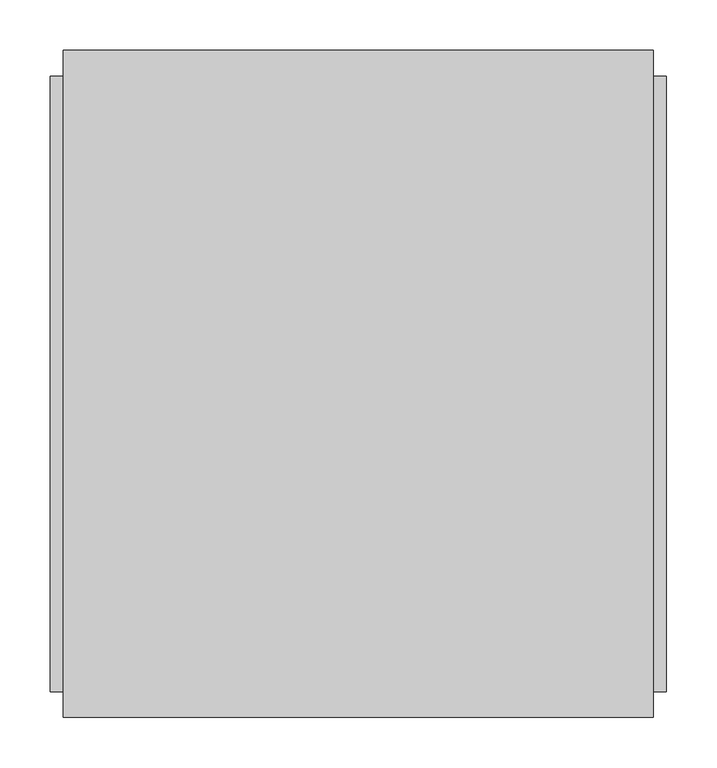
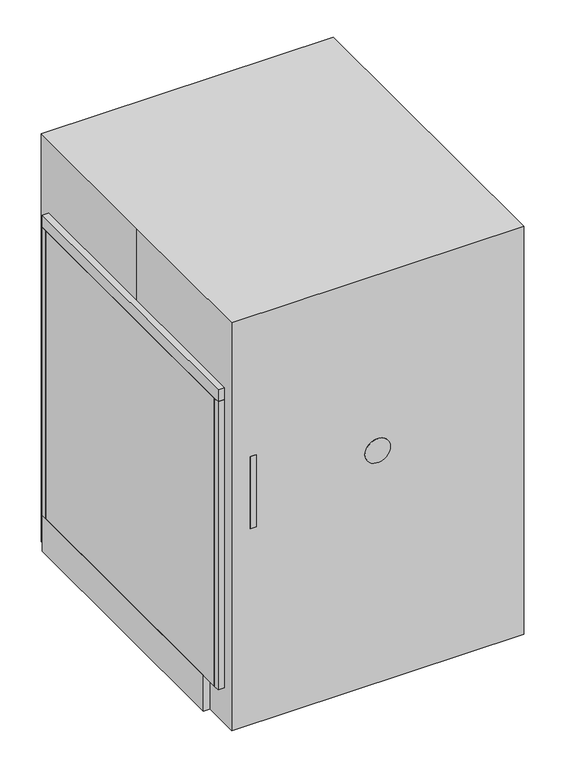
"""IFC4 building model written with IfcOpenShell, lengths in millimetres: proxy geometry."""

from ifc_helpers import new_model, si_unit, point, frame, frame_2d, origin, origin_with_axes, place, context, project, spatial, polyline, circle_curve, trimmed, segment, composite_curve, outline, extrude, source, transform, mapped, element, save
from ifc_brep_helpers import plane_surface, revolved_surface, advanced_brep


def specialty_equipment_3cd7382c(model_context):
    return source(origin(), model_context, "Body", "SolidModel", [
        extrude(outline(polyline([(-330.2, 567.4564965), (-304.8, 567.4564965), (-304.8, 561.1064965), (-323.85, 561.1064965), (-323.85, 421.4064965), (-304.8, 421.4064965), (-304.8, 415.0564965), (-330.2, 415.0564965), (-330.2, 567.4564965)])), frame((-255.1987249, 0.0, 0.0), z_axis=(1.0, 0.0, 0.0), x_axis=(0.0, 1.0, 0.0)), (0.0, 0.0, 1.0), 12.5434115),
        extrude(outline(composite_curve([segment(trimmed(circle_curve(frame_2d((491.2564965, 0.0)), 25.4), [point((491.2564965, -25.4))], [point((491.2564965, 25.4))], False, "CARTESIAN"), True, "CONTINUOUS"), segment(trimmed(circle_curve(frame_2d((491.2564965, 0.0)), 25.4), [point((491.2564965, 25.4))], [point((491.2564965, -25.4))], False, "CARTESIAN"), True, "CONTINUOUS")], self_intersect=False)), frame((0.0, -330.2, 0.0), z_axis=(0.0, 1.0, 0.0), x_axis=(0.0, 0.0, 1.0)), (0.0, 0.0, 1.0), 9.7809889),
        advanced_brep(
        [(-50.8, -320.4190111, 491.2564965), (50.8, -320.4190111, 491.2564965), (-76.2, -304.8, 491.2564965), (76.2, -304.8, 491.2564965)],
        [
            (0, 1, circle_curve(frame((0.0, -320.4190111, 491.2564965), z_axis=(0.0, -1.0, 0.0), x_axis=(-1.0, 0.0, 0.0)), 50.8)),
            (1, 0, circle_curve(frame((0.0, -320.4190111, 491.2564965), z_axis=(0.0, -1.0, 0.0), x_axis=(1.0, 0.0, 0.0)), 50.8)),
            (2, 3, circle_curve(frame((0.0, -304.8, 491.2564965), z_axis=(0.0, 1.0, 0.0), x_axis=(1.0, 0.0, 0.0)), 76.2)),
            (3, 2, circle_curve(frame((0.0, -304.8, 491.2564965), z_axis=(0.0, 1.0, 0.0), x_axis=(-1.0, 0.0, 0.0)), 76.2)),
            (3, 1),
            (0, 2),
        ],
        [
            plane_surface(frame((0.0, -320.4190111, 491.2564965), z_axis=(0.0, -1.0, 0.0), x_axis=(0.0, 0.0, -1.0))),
            plane_surface(frame((0.0, -304.8, 491.2564965), z_axis=(0.0, 1.0, 0.0), x_axis=(0.0, 0.0, -1.0))),
            revolved_surface(polyline([(-50.79999994579261, -320.4190111, 491.2564965), (-76.2, -304.8, 491.2564965)]), (0.0, -351.6570332, 491.2564965), (0.0, 1.0, 0.0)),
            revolved_surface(polyline([(50.79999994579261, -320.4190111, 491.2564965), (76.2, -304.8, 491.2564965)]), (0.0, -351.6570332, 491.2564965), (0.0, 1.0, 0.0)),
        ],
        [
            (0, [[1, 2]]),
            (1, [[3, 4]]),
            (2, [[-4, 5, -1, 6]]),
            (3, [[-3, -6, -2, -5]]),
        ],
    ),
        extrude(outline(polyline([(304.8, -304.8), (-304.8, -304.8), (-304.8, -292.1), (304.8, -292.1), (304.8, -304.8)])), frame((0.0, 0.0, 76.2), z_axis=(0.0, 0.0, 1.0), x_axis=(1.0, 0.0, 0.0)), (0.0, 0.0, 1.0), 609.6),
        extrude(outline(polyline([(304.8, 304.8), (304.8, -304.8), (-304.8, -304.8), (-304.8, 304.8), (304.8, 304.8)])), frame((0.0, 0.0, 685.8), z_axis=(0.0, 0.0, 1.0), x_axis=(1.0, 0.0, 0.0)), (0.0, 0.0, 1.0), 25.4),
        extrude(outline(polyline([(304.8, 304.8), (304.8, 292.1), (-304.8, 292.1), (-304.8, 304.8), (304.8, 304.8)])), frame((0.0, 0.0, 76.2), z_axis=(0.0, 0.0, 1.0), x_axis=(1.0, 0.0, 0.0)), (0.0, 0.0, 1.0), 609.6),
        extrude(outline(polyline([(304.8, 304.8), (304.8, -254.0), (-304.8, -254.0), (-304.8, 304.8), (304.8, 304.8)])), origin_with_axes(), (0.0, 0.0, 1.0), 76.2),
        extrude(outline(polyline([(76.2, -304.8), (76.2, 304.8), (685.8, 304.8), (685.8, 292.1), (88.9, 292.1), (88.9, -292.1), (685.8, -292.1), (685.8, -304.8), (76.2, -304.8)])), frame((0.0, -292.1, 0.0), z_axis=(0.0, 1.0, 0.0), x_axis=(0.0, 0.0, 1.0)), (0.0, 0.0, 1.0), 584.2),
        extrude(outline(polyline([(-292.1, 330.2), (292.1, 330.2), (292.1, -330.2), (-292.1, -330.2), (-292.1, 0.0), (-292.1, 330.2)])), origin_with_axes(), (0.0, 0.0, 1.0), 863.6),
    ])


if __name__ == "__main__":
    model = new_model("IFC4")
    model_context = context("Model", 3, world=origin())
    ifc_project = project(units=[si_unit("LENGTHUNIT", "METRE", prefix="MILLI")], contexts=[model_context])
    site = spatial("IfcSite", under=ifc_project)
    building = spatial("IfcBuilding", under=site)
    placement = place(None, origin())
    specialty_equipment_shape = specialty_equipment_3cd7382c(model_context)
    element("IfcBuildingElementProxy", 1, Name="Specialty Equipment", at=placement, inside=building, context=model_context, shape_type="MappedRepresentation", body=[
        mapped(specialty_equipment_shape, transform((0.0, 0.0, 0.0), x_axis=(1.0, 0.0, 0.0), y_axis=(0.0, 1.0, 0.0), z_axis=(0.0, 0.0, 1.0))),
    ])
    save(model, "model.ifc")
